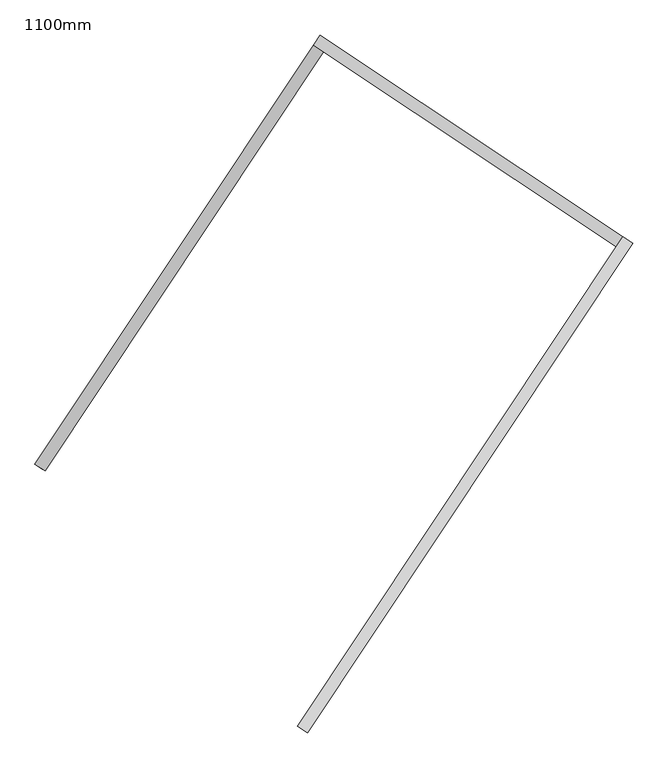
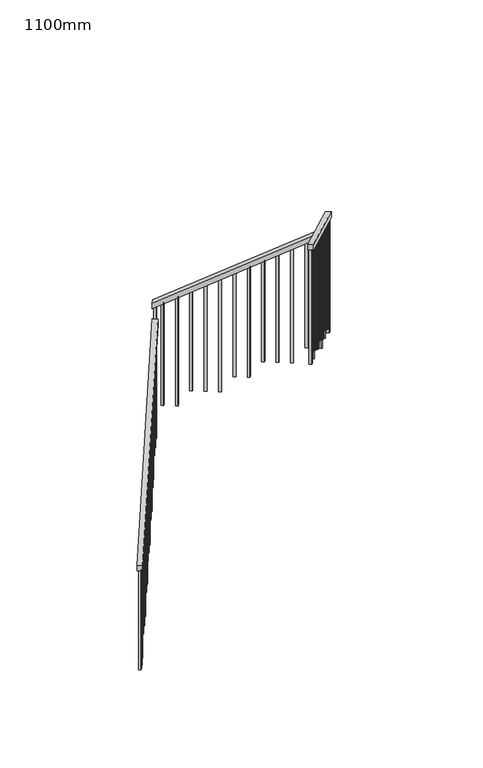
"""IFC4 building model written with IfcOpenShell, lengths in millimetres: railing geometry, 1100mm."""

from ifc_helpers import new_model, si_unit, frame, origin, place, context, project, spatial, polyline, outline, extrude, source, transform, mapped, element, save


def railing_1100mm_4d7ebb1c(model_context):
    return source(origin(), model_context, "Body", "SweptSolid", [
        extrude(outline(polyline([(27.7777778, -50.0000001), (0.0, 0.0), (2374.1723105, 0.0), (2401.9500883, -50.0000001), (27.7777778, -50.0000001)])), frame((-240410.9600837, 66972.032333, 5889.4687214), z_axis=(-0.8325833518276935, 0.5538997763669553, 0.0), x_axis=(0.48419551975317365, 0.7278087949776976, 0.485642931178933)), (0.0, 0.0, 1.0), 50.0),
        extrude(outline(polyline([(27.7777778, -50.0), (0.0, 0.0), (1716.8535239, 1e-07), (1744.6313018, -50.0), (27.7777778, -50.0)])), frame((-239303.0256555, 68727.6708102, 7208.6909437), z_axis=(0.5538997763679911, 0.8325833518270045, 0.0), x_axis=(0.7278087949775167, -0.48419551975436, 0.48564293117802126)), (0.0, 0.0, 1.0), 50.0),
        extrude(outline(polyline([(-27.7777778, -50.0), (0.0, 0.0), (2774.5579271, 0.0), (2746.7801493, -50.0), (-27.7777778, -50.0)])), frame((-237984.1604046, 67910.3122046, 8265.8888889), z_axis=(-0.8325833518275972, 0.5538997763671001, 0.0), x_axis=(-0.48419551975350433, -0.7278087949779187, 0.48564293117827195)), (0.0, 0.0, 1.0), 50.0),
        extrude(outline(polyline([(1260.6353881, -24.9999999), (106.9444445, -24.9999999), (93.0555556, 0.0), (1260.6353881, 0.0), (1260.6353881, -24.9999999)])), frame((-239296.232171, 65960.6650751, 9607.3020548), z_axis=(-0.8325833518276005, 0.5538997763670953, 0.0), x_axis=(0.0, 0.0, -1.0)), (0.0, 0.0, 1.0), 25.0),
        extrude(outline(polyline([(1191.1909436, -25.0), (106.9444444, -25.0), (93.0555555, 0.0), (1191.1909436, 0.0), (1191.1909436, -25.0)])), frame((-239226.9946989, 66064.737994, 9537.8576103), z_axis=(-0.8325833518276005, 0.5538997763670953, 0.0), x_axis=(0.0, 0.0, -1.0)), (0.0, 0.0, 1.0), 25.0),
        extrude(outline(polyline([(1288.4131659, -25.0), (106.9444445, -25.0), (93.0555556, 0.0), (1288.4131659, 0.0), (1288.4131659, -25.0)])), frame((-239157.7572269, 66168.810913, 9468.4131659), z_axis=(-0.8325833518276005, 0.5538997763670953, 0.0), x_axis=(0.0, 0.0, -1.0)), (0.0, 0.0, 1.0), 25.0),
        extrude(outline(polyline([(1218.9687214, -25.0), (106.9444444, -25.0), (93.0555555, 0.0), (1218.9687214, 0.0), (1218.9687214, -25.0)])), frame((-239088.5197548, 66272.883832, 9398.9687214), z_axis=(-0.8325833518276005, 0.5538997763670953, 0.0), x_axis=(0.0, 0.0, -1.0)), (0.0, 0.0, 1.0), 25.0),
        extrude(outline(polyline([(1149.524277, -25.0), (106.9444445, -25.0), (93.0555556, 0.0), (1149.524277, 0.0), (1149.524277, -25.0)])), frame((-239019.2822828, 66376.956751, 9329.524277), z_axis=(-0.8325833518276005, 0.5538997763670953, 0.0), x_axis=(0.0, 0.0, -1.0)), (0.0, 0.0, 1.0), 25.0),
        extrude(outline(polyline([(1246.7464992, -25.0000001), (106.9444444, -25.0000001), (93.0555555, 0.0), (1246.7464992, 0.0), (1246.7464992, -25.0000001)])), frame((-238950.0448108, 66481.0296699, 9260.0798325), z_axis=(-0.8325833518276005, 0.5538997763670953, 0.0), x_axis=(0.0, 0.0, -1.0)), (0.0, 0.0, 1.0), 25.0),
        extrude(outline(polyline([(1177.3020548, -25.0), (106.9444444, -25.0), (93.0555555, 0.0), (1177.3020548, 0.0), (1177.3020548, -25.0)])), frame((-238880.8073387, 66585.1025889, 9190.6353881), z_axis=(-0.8325833518276005, 0.5538997763670953, 0.0), x_axis=(0.0, 0.0, -1.0)), (0.0, 0.0, 1.0), 25.0),
        extrude(outline(polyline([(1274.524277, -25.0000001), (106.9444445, -25.0000001), (93.0555556, 0.0), (1274.524277, 0.0), (1274.524277, -25.0000001)])), frame((-238811.5698667, 66689.1755079, 9121.1909437), z_axis=(-0.8325833518276005, 0.5538997763670953, 0.0), x_axis=(0.0, 0.0, -1.0)), (0.0, 0.0, 1.0), 25.0),
        extrude(outline(polyline([(1205.0798325, -25.0), (106.9444444, -25.0), (93.0555555, 0.0), (1205.0798325, 0.0), (1205.0798325, -25.0)])), frame((-238742.3323946, 66793.2484269, 9051.7464992), z_axis=(-0.8325833518276005, 0.5538997763670953, 0.0), x_axis=(0.0, 0.0, -1.0)), (0.0, 0.0, 1.0), 25.0),
        extrude(outline(polyline([(1302.3020548, -25.0), (106.9444445, -25.0), (93.0555556, 0.0), (1302.3020548, 0.0), (1302.3020548, -25.0)])), frame((-238673.0949226, 66897.3213459, 8982.3020548), z_axis=(-0.8325833518276005, 0.5538997763670953, 0.0), x_axis=(0.0, 0.0, -1.0)), (0.0, 0.0, 1.0), 25.0),
        extrude(outline(polyline([(1232.8576103, -25.0), (106.9444444, -25.0), (93.0555555, 0.0), (1232.8576103, 0.0), (1232.8576103, -25.0)])), frame((-238603.8574505, 67001.3942648, 8912.8576103), z_axis=(-0.8325833518276005, 0.5538997763670953, 0.0), x_axis=(0.0, 0.0, -1.0)), (0.0, 0.0, 1.0), 25.0),
        extrude(outline(polyline([(1163.4131659, -25.0), (106.9444445, -25.0), (93.0555556, 0.0), (1163.4131659, 0.0), (1163.4131659, -25.0)])), frame((-238534.6199785, 67105.4671838, 8843.4131659), z_axis=(-0.8325833518276005, 0.5538997763670953, 0.0), x_axis=(0.0, 0.0, -1.0)), (0.0, 0.0, 1.0), 25.0),
        extrude(outline(polyline([(1260.6353881, -25.0), (106.9444444, -25.0), (93.0555555, 0.0), (1260.6353881, 0.0), (1260.6353881, -25.0)])), frame((-238465.3825064, 67209.5401028, 8773.9687214), z_axis=(-0.8325833518276005, 0.5538997763670953, 0.0), x_axis=(0.0, 0.0, -1.0)), (0.0, 0.0, 1.0), 25.0),
        extrude(outline(polyline([(1191.1909437, -25.0), (106.9444445, -25.0), (93.0555556, 0.0), (1191.1909437, 0.0), (1191.1909437, -25.0)])), frame((-238396.1450344, 67313.6130218, 8704.524277), z_axis=(-0.8325833518276005, 0.5538997763670953, 0.0), x_axis=(0.0, 0.0, -1.0)), (0.0, 0.0, 1.0), 25.0),
        extrude(outline(polyline([(1288.4131658, -25.0), (106.9444444, -25.0), (93.0555555, 0.0), (1288.4131658, 0.0), (1288.4131658, -25.0)])), frame((-238326.9075623, 67417.6859407, 8635.0798325), z_axis=(-0.8325833518276005, 0.5538997763670953, 0.0), x_axis=(0.0, 0.0, -1.0)), (0.0, 0.0, 1.0), 25.0),
        extrude(outline(polyline([(1218.9687214, -25.0), (106.9444444, -25.0), (93.0555556, 0.0), (1218.9687214, 0.0), (1218.9687214, -25.0)])), frame((-238257.6700903, 67521.7588597, 8565.6353881), z_axis=(-0.8325833518276005, 0.5538997763670953, 0.0), x_axis=(0.0, 0.0, -1.0)), (0.0, 0.0, 1.0), 25.0),
        extrude(outline(polyline([(1149.524277, -25.0), (106.9444445, -25.0), (93.0555556, 0.0), (1149.524277, 0.0), (1149.524277, -25.0)])), frame((-238188.4326182, 67625.8317787, 8496.1909437), z_axis=(-0.8325833518276005, 0.5538997763670953, 0.0), x_axis=(0.0, 0.0, -1.0)), (0.0, 0.0, 1.0), 25.0),
        extrude(outline(polyline([(1246.7464992, -25.0), (106.9444444, -25.0), (93.0555555, 0.0), (1246.7464992, 0.0), (1246.7464992, -25.0)])), frame((-238119.1951462, 67729.9046977, 8426.7464992), z_axis=(-0.8325833518276005, 0.5538997763670953, 0.0), x_axis=(0.0, 0.0, -1.0)), (0.0, 0.0, 1.0), 25.0),
        extrude(outline(polyline([(1177.3020548, -25.0000001), (106.9444445, -25.0000001), (93.0555556, 0.0), (1177.3020548, 0.0), (1177.3020548, -25.0000001)])), frame((-238049.9576742, 67833.9776167, 8357.3020548), z_axis=(-0.8325833518276005, 0.5538997763670953, 0.0), x_axis=(0.0, 0.0, -1.0)), (0.0, 0.0, 1.0), 25.0),
        extrude(outline(polyline([(106.9444445, 0.0), (1274.524277, 0.0), (1274.524277, -25.0), (93.0555556, -25.0), (106.9444445, 0.0)])), frame((-238088.8560481, 67934.9234264, 8121.1909437), z_axis=(0.5538997763679938, 0.8325833518270027, 0.0), x_axis=(0.0, 0.0, -1.0)), (0.0, 0.0, 1.0), 25.0),
        extrude(outline(polyline([(106.9444444, 0.0), (1205.0798325, 0.0), (1205.0798325, -25.0000001), (93.0555555, -25.0000001), (106.9444444, 0.0)])), frame((-238192.9289671, 68004.1608985, 8051.7464992), z_axis=(0.5538997763679938, 0.8325833518270027, 0.0), x_axis=(0.0, 0.0, -1.0)), (0.0, 0.0, 1.0), 25.0),
        extrude(outline(polyline([(106.9444445, 0.0), (1302.3020548, 0.0), (1302.3020548, -25.0), (93.0555556, -25.0), (106.9444445, 0.0)])), frame((-238297.0018861, 68073.3983705, 7982.3020548), z_axis=(0.5538997763679938, 0.8325833518270027, 0.0), x_axis=(0.0, 0.0, -1.0)), (0.0, 0.0, 1.0), 25.0),
        extrude(outline(polyline([(106.9444444, 0.0), (1232.8576103, 0.0), (1232.8576103, -25.0), (93.0555555, -25.0), (106.9444444, 0.0)])), frame((-238401.074805, 68142.6358425, 7912.8576103), z_axis=(0.5538997763679938, 0.8325833518270027, 0.0), x_axis=(0.0, 0.0, -1.0)), (0.0, 0.0, 1.0), 25.0),
        extrude(outline(polyline([(106.9444445, 0.0), (1163.4131659, 0.0), (1163.4131659, -25.0), (93.0555556, -25.0), (106.9444445, 0.0)])), frame((-238505.147724, 68211.8733146, 7843.4131659), z_axis=(0.5538997763679938, 0.8325833518270027, 0.0), x_axis=(0.0, 0.0, -1.0)), (0.0, 0.0, 1.0), 25.0),
        extrude(outline(polyline([(106.9444444, 0.0), (1260.6353881, 0.0), (1260.6353881, -25.0), (93.0555555, -25.0), (106.9444444, 0.0)])), frame((-238609.220643, 68281.1107866, 7773.9687214), z_axis=(0.5538997763679938, 0.8325833518270027, 0.0), x_axis=(0.0, 0.0, -1.0)), (0.0, 0.0, 1.0), 25.0),
        extrude(outline(polyline([(106.9444445, 0.0), (1191.1909437, 0.0), (1191.1909437, -25.0), (93.0555556, -25.0), (106.9444445, 0.0)])), frame((-238713.293562, 68350.3482587, 7704.524277), z_axis=(0.5538997763679938, 0.8325833518270027, 0.0), x_axis=(0.0, 0.0, -1.0)), (0.0, 0.0, 1.0), 25.0),
        extrude(outline(polyline([(106.9444444, 0.0), (1288.4131658, 0.0), (1288.4131658, -24.9999999), (93.0555555, -24.9999999), (106.9444444, 0.0)])), frame((-238817.3664809, 68419.5857307, 7635.0798325), z_axis=(0.5538997763679938, 0.8325833518270027, 0.0), x_axis=(0.0, 0.0, -1.0)), (0.0, 0.0, 1.0), 25.0),
        extrude(outline(polyline([(106.9444444, 0.0), (1218.9687214, 0.0), (1218.9687214, -25.0), (93.0555556, -25.0), (106.9444444, 0.0)])), frame((-238921.4393999, 68488.8232028, 7565.6353881), z_axis=(0.5538997763679938, 0.8325833518270027, 0.0), x_axis=(0.0, 0.0, -1.0)), (0.0, 0.0, 1.0), 25.0),
        extrude(outline(polyline([(106.9444445, 0.0), (1149.524277, 0.0), (1149.524277, -25.0), (93.0555556, -25.0), (106.9444445, 0.0)])), frame((-239025.5123189, 68558.0606748, 7496.1909437), z_axis=(0.5538997763679938, 0.8325833518270027, 0.0), x_axis=(0.0, 0.0, -1.0)), (0.0, 0.0, 1.0), 25.0),
        extrude(outline(polyline([(106.9444444, 0.0), (1246.7464992, 0.0), (1246.7464992, -25.0), (93.0555555, -25.0), (106.9444444, 0.0)])), frame((-239129.5852379, 68627.2981469, 7426.7464992), z_axis=(0.5538997763679938, 0.8325833518270027, 0.0), x_axis=(0.0, 0.0, -1.0)), (0.0, 0.0, 1.0), 25.0),
        extrude(outline(polyline([(106.9444445, 0.0), (1177.3020548, 0.0), (1177.3020548, -25.0), (93.0555556, -25.0), (106.9444445, 0.0)])), frame((-239233.6581569, 68696.5356189, 7357.3020548), z_axis=(0.5538997763679938, 0.8325833518270027, 0.0), x_axis=(0.0, 0.0, -1.0)), (0.0, 0.0, 1.0), 25.0),
        extrude(outline(polyline([(106.9444445, 0.0), (1288.6353881, 0.0), (1288.6353881, -25.0), (93.0555556, -25.0), (106.9444445, 0.0)])), frame((-239285.8728341, 68685.7519515, 7135.3020548), z_axis=(-0.8325833518276953, 0.5538997763669528, 0.0), x_axis=(0.0, 0.0, -1.0)), (0.0, 0.0, 1.0), 25.0),
        extrude(outline(polyline([(106.9444444, 0.0), (1219.1909436, 0.0), (1219.1909436, -25.0), (93.0555555, -25.0), (106.9444444, 0.0)])), frame((-239355.1103061, 68581.6790325, 7065.8576103), z_axis=(-0.8325833518276953, 0.5538997763669528, 0.0), x_axis=(0.0, 0.0, -1.0)), (0.0, 0.0, 1.0), 25.0),
        extrude(outline(polyline([(106.9444445, 0.0), (1149.7464992, 0.0), (1149.7464992, -25.0), (93.0555556, -25.0), (106.9444445, 0.0)])), frame((-239424.3477782, 68477.6061135, 6996.4131659), z_axis=(-0.8325833518276953, 0.5538997763669528, 0.0), x_axis=(0.0, 0.0, -1.0)), (0.0, 0.0, 1.0), 25.0),
        extrude(outline(polyline([(106.9444444, 0.0), (1246.9687214, 0.0), (1246.9687214, -25.0), (93.0555555, -25.0), (106.9444444, 0.0)])), frame((-239493.5852502, 68373.5331946, 6926.9687214), z_axis=(-0.8325833518276953, 0.5538997763669528, 0.0), x_axis=(0.0, 0.0, -1.0)), (0.0, 0.0, 1.0), 25.0),
        extrude(outline(polyline([(106.9444445, 0.0), (1177.524277, 0.0), (1177.524277, -25.0), (93.0555556, -25.0), (106.9444445, 0.0)])), frame((-239562.8227223, 68269.4602756, 6857.524277), z_axis=(-0.8325833518276953, 0.5538997763669528, 0.0), x_axis=(0.0, 0.0, -1.0)), (0.0, 0.0, 1.0), 25.0),
        extrude(outline(polyline([(106.9444444, 0.0), (1274.7464992, 0.0), (1274.7464992, -25.0), (93.0555555, -25.0), (106.9444444, 0.0)])), frame((-239632.0601943, 68165.3873566, 6788.0798325), z_axis=(-0.8325833518276953, 0.5538997763669528, 0.0), x_axis=(0.0, 0.0, -1.0)), (0.0, 0.0, 1.0), 25.0),
        extrude(outline(polyline([(106.9444444, 0.0), (1205.3020548, 0.0), (1205.3020548, -25.0000001), (93.0555556, -25.0000001), (106.9444444, 0.0)])), frame((-239701.2976664, 68061.3144376, 6718.6353881), z_axis=(-0.8325833518276953, 0.5538997763669528, 0.0), x_axis=(0.0, 0.0, -1.0)), (0.0, 0.0, 1.0), 25.0),
        extrude(outline(polyline([(106.9444445, 0.0), (1302.524277, 0.0), (1302.524277, -25.0), (93.0555556, -25.0), (106.9444445, 0.0)])), frame((-239770.5351384, 67957.2415186, 6649.1909437), z_axis=(-0.8325833518276953, 0.5538997763669528, 0.0), x_axis=(0.0, 0.0, -1.0)), (0.0, 0.0, 1.0), 25.0),
        extrude(outline(polyline([(106.9444444, 0.0), (1233.0798325, 0.0), (1233.0798325, -25.0), (93.0555555, -25.0), (106.9444444, 0.0)])), frame((-239839.7726104, 67853.1685997, 6579.7464992), z_axis=(-0.8325833518276953, 0.5538997763669528, 0.0), x_axis=(0.0, 0.0, -1.0)), (0.0, 0.0, 1.0), 25.0),
        extrude(outline(polyline([(106.9444445, 0.0), (1163.6353881, 0.0), (1163.6353881, -25.0), (93.0555556, -25.0), (106.9444445, 0.0)])), frame((-239909.0100825, 67749.0956807, 6510.3020548), z_axis=(-0.8325833518276953, 0.5538997763669528, 0.0), x_axis=(0.0, 0.0, -1.0)), (0.0, 0.0, 1.0), 25.0),
        extrude(outline(polyline([(106.9444444, 0.0), (1260.8576103, 0.0), (1260.8576103, -25.0), (93.0555555, -25.0), (106.9444444, 0.0)])), frame((-239978.2475545, 67645.0227617, 6440.8576103), z_axis=(-0.8325833518276953, 0.5538997763669528, 0.0), x_axis=(0.0, 0.0, -1.0)), (0.0, 0.0, 1.0), 25.0),
        extrude(outline(polyline([(106.9444445, 0.0), (1191.4131659, 0.0), (1191.4131659, -25.0), (93.0555556, -25.0), (106.9444445, 0.0)])), frame((-240047.4850266, 67540.9498427, 6371.4131659), z_axis=(-0.8325833518276953, 0.5538997763669528, 0.0), x_axis=(0.0, 0.0, -1.0)), (0.0, 0.0, 1.0), 25.0),
        extrude(outline(polyline([(106.9444444, 0.0), (1288.6353881, 0.0), (1288.6353881, -25.0), (93.0555555, -25.0), (106.9444444, 0.0)])), frame((-240116.7224986, 67436.8769237, 6301.9687214), z_axis=(-0.8325833518276953, 0.5538997763669528, 0.0), x_axis=(0.0, 0.0, -1.0)), (0.0, 0.0, 1.0), 25.0),
        extrude(outline(polyline([(106.9444445, 0.0), (1219.1909437, 0.0), (1219.1909437, -25.0), (93.0555556, -25.0), (106.9444445, 0.0)])), frame((-240185.9599707, 67332.8040048, 6232.524277), z_axis=(-0.8325833518276953, 0.5538997763669528, 0.0), x_axis=(0.0, 0.0, -1.0)), (0.0, 0.0, 1.0), 25.0),
        extrude(outline(polyline([(106.9444444, 0.0), (1149.7464992, 0.0), (1149.7464992, -25.0), (93.0555555, -25.0), (106.9444444, 0.0)])), frame((-240255.1974427, 67228.7310858, 6163.0798325), z_axis=(-0.8325833518276953, 0.5538997763669528, 0.0), x_axis=(0.0, 0.0, -1.0)), (0.0, 0.0, 1.0), 25.0),
        extrude(outline(polyline([(106.9444444, 0.0), (1246.9687214, 0.0), (1246.9687214, -25.0), (93.0555556, -25.0), (106.9444444, 0.0)])), frame((-240324.4349148, 67124.6581668, 6093.6353881), z_axis=(-0.8325833518276953, 0.5538997763669528, 0.0), x_axis=(0.0, 0.0, -1.0)), (0.0, 0.0, 1.0), 25.0),
        extrude(outline(polyline([(106.9444445, 0.0), (1177.524277, 0.0), (1177.524277, -25.0), (93.0555556, -25.0), (106.9444445, 0.0)])), frame((-240393.6723868, 67020.5852478, 6024.1909437), z_axis=(-0.8325833518276953, 0.5538997763669528, 0.0), x_axis=(0.0, 0.0, -1.0)), (0.0, 0.0, 1.0), 25.0),
        extrude(outline(polyline([(1309.2464993, -24.9999999), (106.9444445, -24.9999999), (93.0555556, 0.0), (1309.2464993, 0.0), (1309.2464993, -24.9999999)])), frame((-238015.3389381, 67886.0140762, 8322.5798326), z_axis=(-0.8325833518276005, 0.5538997763670953, 0.0), x_axis=(0.0, 0.0, -1.0)), (0.0, 0.0, 1.0), 25.0),
        extrude(outline(polyline([(106.9444445, 0.0), (1309.2464993, 0.0), (1309.2464993, -25.0), (93.0555556, -25.0), (106.9444445, 0.0)])), frame((-239285.6946164, 68731.1543549, 7322.5798326), z_axis=(0.5538997763679938, 0.8325833518270027, 0.0), x_axis=(0.0, 0.0, -1.0)), (0.0, 0.0, 1.0), 25.0),
        extrude(outline(polyline([(1302.524277, -25.0), (106.9444445, -25.0), (93.0555556, 0.0), (1302.524277, 0.0), (1302.524277, -25.0)])), frame((-239337.9962141, 65897.8882903, 9649.1909437), z_axis=(-0.8325833518276005, 0.5538997763670953, 0.0), x_axis=(0.0, 0.0, -1.0)), (0.0, 0.0, 1.0), 25.0),
        extrude(outline(polyline([(106.9444445, 0.0), (1149.7464992, 0.0), (1149.7464992, -25.0), (93.0555556, -25.0), (106.9444445, 0.0)])), frame((-240421.3673756, 66978.9560802, 5996.4131659), z_axis=(-0.8325833518276953, 0.5538997763669528, 0.0), x_axis=(0.0, 0.0, -1.0)), (0.0, 0.0, 1.0), 25.0),
    ])


if __name__ == "__main__":
    model = new_model("IFC4")
    model_context = context("Model", 3, world=origin())
    ifc_project = project(units=[si_unit("LENGTHUNIT", "METRE", prefix="MILLI")], contexts=[model_context])
    site = spatial("IfcSite", under=ifc_project)
    building = spatial("IfcBuilding", under=site)
    placement = place(None, origin())
    railing_1100mm_shape = railing_1100mm_4d7ebb1c(model_context)
    element("IfcRailing", 1, ObjectType="1100mm", at=placement, inside=building, context=model_context, shape_type="MappedRepresentation", body=[
        mapped(railing_1100mm_shape, transform((0.0, 0.0, 0.0), x_axis=(1.0, 0.0, 0.0), y_axis=(0.0, 1.0, 0.0), z_axis=(0.0, 0.0, 1.0))),
    ])
    save(model, "model.ifc")
